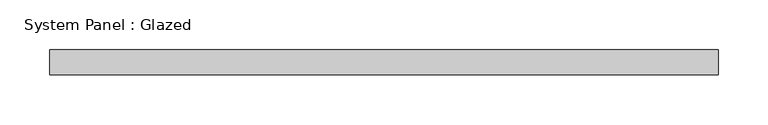
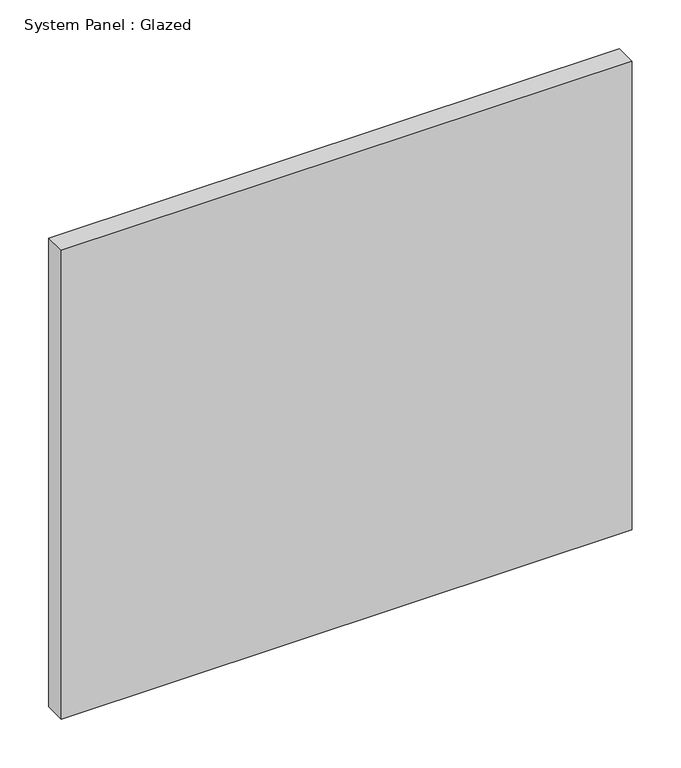
"""IFC4 building model written with IfcOpenShell, lengths in millimetres: plate geometry, System Panel : Glazed."""

from ifc_helpers import new_model, si_unit, origin, origin_with_axes, place, context, project, spatial, polyline, outline, extrude, source, transform, mapped, element, save


def system_panel_glazed_2a0a205a(model_context):
    return source(origin(), model_context, "Body", "SweptSolid", [
        extrude(outline(polyline([(336.55, 19.05), (-336.55, 19.05), (-336.55, 44.45), (336.55, 44.45), (336.55, 19.05)])), origin_with_axes(), (0.0, 0.0, 1.0), 584.2),
    ])


if __name__ == "__main__":
    model = new_model("IFC4")
    model_context = context("Model", 3, world=origin())
    ifc_project = project(units=[si_unit("LENGTHUNIT", "METRE", prefix="MILLI")], contexts=[model_context])
    site = spatial("IfcSite", under=ifc_project)
    building = spatial("IfcBuilding", under=site)
    placement = place(None, origin())
    system_panel_glazed_shape = system_panel_glazed_2a0a205a(model_context)
    element("IfcPlate", 1, ObjectType="System Panel : Glazed", at=placement, inside=building, context=model_context, shape_type="MappedRepresentation", body=[
        mapped(system_panel_glazed_shape, transform((0.0, 0.0, 0.0), x_axis=(1.0, 0.0, 0.0), y_axis=(0.0, 1.0, 0.0), z_axis=(0.0, 0.0, 1.0))),
    ])
    save(model, "model.ifc")
